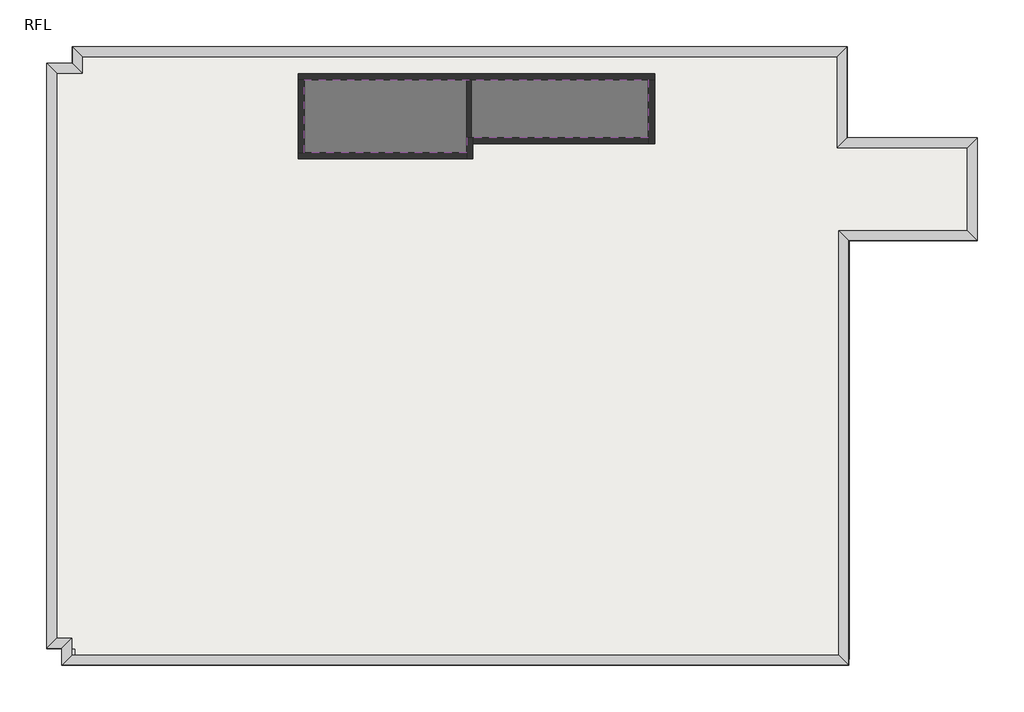
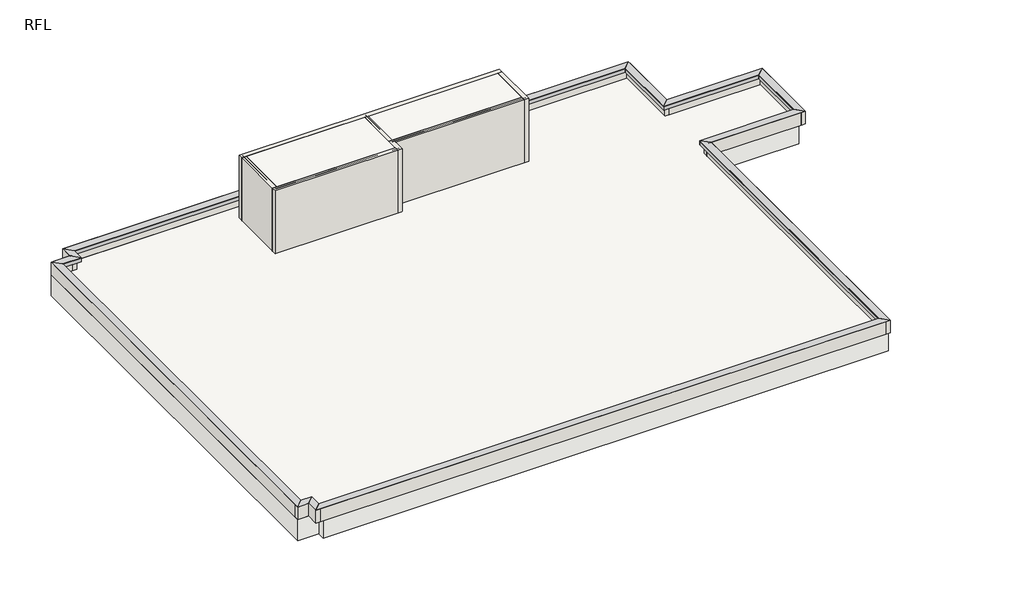
# One storey: 26 proxies, 19 walls, 2 slabs.
"""IFC4 building model written with IfcOpenShell, lengths in millimetres."""

import ifcopenshell
import ifcopenshell.guid

model = None  # the IFC model being written
_history = None  # IfcOwnerHistory: only IFC2X3 demands one
_inside = {}  # id of a spatial element -> (the spatial element, [elements in it])
_under = {}  # id of a project, library or spatial element -> (it, [spatial elements below it])
_declared = {}  # id of a project -> (the project, [libraries it declares])
_typed = {}  # id of a type object -> (the type object, [elements of that type])
_made_of = {}  # id of a material, layer set ... -> (it, [elements and type objects made of it])


def new_model(schema):
    """Start an empty IFC model of exactly this schema.

    Asked for "IFC4X3", IfcOpenShell would pick the latest addendum, in which some entities
    have other attributes; the version numbers below select the first issue.
    IFC2X3 requires an IfcOwnerHistory on every rooted entity: one is made here for all.
    """
    global model, _history
    if schema == "IFC4X3":
        model = ifcopenshell.file(schema_version=(4, 3, 0, 0))
    else:
        model = ifcopenshell.file(schema=schema)
    _inside.clear()
    _under.clear()
    _declared.clear()
    _typed.clear()
    _made_of.clear()
    _history = None
    if model.schema == "IFC2X3":
        org = make("IfcOrganization", Name="unknown")
        user = make(
            "IfcPersonAndOrganization",
            ThePerson=make("IfcPerson", FamilyName="unknown"),
            TheOrganization=org,
        )
        app = make(
            "IfcApplication",
            ApplicationDeveloper=org,
            Version="unknown",
            ApplicationFullName="unknown",
            ApplicationIdentifier="unknown",
        )
        _history = make(
            "IfcOwnerHistory",
            OwningUser=user,
            OwningApplication=app,
            ChangeAction="ADDED",
            CreationDate=0,
        )
    return model


def make(cls, **values):
    """One entity of the class cls with the attributes given. An attribute that is None is left unset."""
    return model.create_entity(
        cls, **{name: value for name, value in values.items() if value is not None}
    )


def rooted(cls, **values):
    """An entity with a GlobalId (a new one), such as an element, a storey or a relation."""
    return make(cls, GlobalId=ifcopenshell.guid.new(), OwnerHistory=_history, **values)


def si_unit(unit_type, name, prefix=None):
    """IfcSIUnit, for example si_unit("LENGTHUNIT", "METRE", prefix="MILLI")."""
    return make("IfcSIUnit", UnitType=unit_type, Prefix=prefix, Name=name)


def assignment(units):
    """IfcUnitAssignment: the units of a project."""
    return None if units is None else make("IfcUnitAssignment", Units=units)


def point(xyz):
    """IfcCartesianPoint."""
    return None if xyz is None else make("IfcCartesianPoint", Coordinates=xyz)


def direction(xyz):
    """IfcDirection."""
    return None if xyz is None else make("IfcDirection", DirectionRatios=xyz)


def frame(location, z_axis=None, x_axis=None):
    """IfcAxis2Placement3D, a coordinate frame: its origin and axes. An axis left out is left unset."""
    return make(
        "IfcAxis2Placement3D",
        Location=point(location),
        Axis=direction(z_axis),
        RefDirection=direction(x_axis),
    )


def origin():
    """The frame at (0, 0, 0) with its axes left unset."""
    return frame((0.0, 0.0, 0.0))


def place(relative_to, where):
    """IfcLocalPlacement: puts the frame where relative to a parent placement (None: the world)."""
    return make(
        "IfcLocalPlacement", PlacementRelTo=relative_to, RelativePlacement=where
    )


def context(
    kind, dimensions, precision=None, world=None, true_north=None, identifier=None
):
    """IfcGeometricRepresentationContext, for example the 3D "Model" context."""
    return make(
        "IfcGeometricRepresentationContext",
        ContextIdentifier=identifier,
        ContextType=kind,
        CoordinateSpaceDimension=dimensions,
        Precision=precision,
        WorldCoordinateSystem=world,
        TrueNorth=true_north,
    )


def project(units=None, contexts=None):
    """IfcProject with its units and contexts."""
    return rooted(
        "IfcProject",
        Name="project",
        RepresentationContexts=contexts,
        UnitsInContext=assignment(units),
    )


def spatial(cls, under=None, at=None, **own):
    """A site, building, storey or space (cls), placed at a placement, below another one or the project."""
    s = rooted(cls, ObjectPlacement=at, **own)
    if under is not None:
        _under.setdefault(under.id(), (under, []))[1].append(s)
    return s


def polyline(points):
    """IfcPolyline through the points."""
    return make("IfcPolyline", Points=[point(p) for p in points])


def outline(outer, holes=None, kind="AREA"):
    """IfcArbitraryClosedProfileDef: a profile drawn as a closed curve; with holes, ...WithVoids."""
    if holes is None:
        return make("IfcArbitraryClosedProfileDef", ProfileType=kind, OuterCurve=outer)
    return make(
        "IfcArbitraryProfileDefWithVoids",
        ProfileType=kind,
        OuterCurve=outer,
        InnerCurves=holes,
    )


def extrude(swept, where, along, depth):
    """IfcExtrudedAreaSolid: the profile swept, set in the frame where, extruded along a direction by depth."""
    return make(
        "IfcExtrudedAreaSolid",
        SweptArea=swept,
        Position=where,
        ExtrudedDirection=direction(along),
        Depth=depth,
    )


def faces_of(points, faces, orient=None, outer=None):
    """IfcFace entities. A face is a list of loops; a loop is a list of indices into points, from 0.

    orient and outer hold one flag for each loop. By default every Orientation is true, the
    first loop of a face is its IfcFaceOuterBound and the others are IfcFaceBound.
    """
    made = []
    for i, loops in enumerate(faces):
        bounds = []
        for j, loop in enumerate(loops):
            is_outer = j == 0 if outer is None else outer[i][j]
            bounds.append(
                make(
                    "IfcFaceOuterBound" if is_outer else "IfcFaceBound",
                    Bound=make("IfcPolyLoop", Polygon=[points[k] for k in loop]),
                    Orientation=True if orient is None else orient[i][j],
                )
            )
        made.append(make("IfcFace", Bounds=bounds))
    return made


def faceted_brep(points, faces, orient=None, outer=None, voids=None):
    """IfcFacetedBrep: a solid bounded by flat faces; with voids (closed shells), ...WithVoids."""
    shared = [point(p) for p in points]
    hull = make("IfcClosedShell", CfsFaces=faces_of(shared, faces, orient, outer))
    if voids is None:
        return make("IfcFacetedBrep", Outer=hull)
    return make(
        "IfcFacetedBrepWithVoids",
        Outer=hull,
        Voids=[
            make(cls, CfsFaces=faces_of(shared, fs, o, b)) for cls, fs, o, b in voids
        ],
    )


def shape(context_of_items, identifier, shape_type, items):
    """IfcShapeRepresentation: the items that make up one representation, for example the "Body"."""
    return make(
        "IfcShapeRepresentation",
        ContextOfItems=context_of_items,
        RepresentationIdentifier=identifier,
        RepresentationType=shape_type,
        Items=items,
    )


def made_of(thing, what):
    """Note that an element or type object is made of a material, layer set ...; save() writes the relation."""
    if what is not None:
        _made_of.setdefault(what.id(), (what, []))[1].append(thing)
    return thing


def element(
    cls,
    number,
    at=None,
    inside=None,
    cuts=None,
    type_object=None,
    material=None,
    context=None,
    identifier="Body",
    shape_type=None,
    held_by="IfcProductDefinitionShape",
    body=None,
    shapes=None,
    **own,
):
    """One element of the class cls, such as IfcWall. Its Tag is "e" and its number.

    at: its placement. inside: the storey or other place that contains it. cuts: it is an
    opening in that element (IfcRelVoidsElement). A single representation is given by context,
    identifier, shape_type and body (its items); several are given by shapes. held_by: the class
    of the entity that holds the representations. save() writes the other relations.
    """
    e = rooted(cls, Tag="e%d" % number, ObjectPlacement=at, **own)
    if body is not None:
        shapes = [shape(context, identifier, shape_type, body)]
    if shapes is not None:
        e.Representation = make(held_by, Representations=shapes)
    if inside is not None:
        _inside.setdefault(inside.id(), (inside, []))[1].append(e)
    if cuts is not None:
        rooted(
            "IfcRelVoidsElement", RelatingBuildingElement=cuts, RelatedOpeningElement=e
        )
    if type_object is not None:
        _typed.setdefault(type_object.id(), (type_object, []))[1].append(e)
    return made_of(e, material)


def aggregate(whole, parts):
    """IfcRelAggregates: a whole, such as a stair, and the parts it consists of."""
    return rooted("IfcRelAggregates", RelatingObject=whole, RelatedObjects=parts)


def save(model, path):
    """Write the relations noted so far, then the file.

    IfcRelAggregates (storeys below a building ...), IfcRelContainedInSpatialStructure (elements
    in a storey), IfcRelDefinesByType, IfcRelAssociatesMaterial and IfcRelDeclares: one each for
    every whole, place, type object, material and project.
    """
    for whole, parts in _under.values():
        aggregate(whole, parts)
    for where, things in _inside.values():
        rooted(
            "IfcRelContainedInSpatialStructure",
            RelatedElements=things,
            RelatingStructure=where,
        )
    for kind, things in _typed.values():
        rooted("IfcRelDefinesByType", RelatedObjects=things, RelatingType=kind)
    for what, things in _made_of.values():
        rooted("IfcRelAssociatesMaterial", RelatedObjects=things, RelatingMaterial=what)
    for by, libraries in _declared.values():
        rooted("IfcRelDeclares", RelatingContext=by, RelatedDefinitions=libraries)
    model.write(path)


model = new_model("IFC4")

# Units and contexts
model_context = context("Model", 3, world=origin())
ifc_project = project(units=[si_unit("LENGTHUNIT", "METRE", prefix="MILLI")], contexts=[model_context])

# Site, building, storey
site = spatial("IfcSite", under=ifc_project)
building = spatial("IfcBuilding", under=site)
storey = spatial("IfcBuildingStorey", under=building, Name="RFL", Elevation=32600.0)

# Proxies
placement = place(None, origin())
element("IfcBuildingElementProxy", 1, Name="Mass", at=placement, inside=storey, context=model_context, shape_type="SweptSolid", body=[
    extrude(outline(polyline([(-15395.9784025, 15749.6868987), (-15395.9784025, 13149.6868987), (-20945.9784025, 13149.6868987), (-20945.9784025, 15749.6868987), (-15395.9784025, 15749.6868987)])), frame((0.0, 0.0, 32600.0), z_axis=(0.0, 0.0, 1.0), x_axis=(1.0, 0.0, 0.0)), (0.0, 0.0, 1.0), 3000.0),
])
element("IfcBuildingElementProxy", 2, Name="Mass", at=placement, inside=storey, context=model_context, shape_type="SweptSolid", body=[
    extrude(outline(polyline([(-9395.9784025, 15749.6868987), (-9395.9784025, 13649.6868987), (-15395.9784025, 13649.6868987), (-15395.9784025, 15749.6868987), (-9395.9784025, 15749.6868987)])), frame((0.0, 0.0, 32600.0), z_axis=(0.0, 0.0, 1.0), x_axis=(1.0, 0.0, 0.0)), (0.0, 0.0, 1.0), 3000.0),
])
element("IfcBuildingElementProxy", 3, Name="Reveals", at=placement, inside=storey, context=model_context, shape_type="Brep", body=[
    faceted_brep([(-28165.9784025, 16419.6868987, 33170.0), (-28165.9784025, 16419.6868987, 33200.0), (-28495.9784025, 16749.6868987, 33200.0), (-3275.9784025, 16419.6868987, 33170.0), (-2945.9784025, 16749.6868987, 33200.0), (-3275.9784025, 16419.6868987, 33200.0)], [[[0, 1, 2]], [[3, 4, 5]], [[1, 0, 3, 5]], [[2, 1, 5, 4]], [[0, 2, 4, 3]]]),
])
element("IfcBuildingElementProxy", 4, Name="Wall Sweeps", at=placement, inside=storey, context=model_context, shape_type="Brep", body=[
    faceted_brep([(-28165.9784025, 16419.6868987, 33010.0), (-28165.9784025, 16419.6868987, 33170.0), (-28495.9784025, 16749.6868987, 33200.0), (-28295.9784025, 16549.6868987, 33010.0), (-3275.9784025, 16419.6868987, 33010.0), (-3145.9784025, 16549.6868987, 33010.0), (-2945.9784025, 16749.6868987, 33200.0), (-3275.9784025, 16419.6868987, 33170.0)], [[[0, 1, 2, 3]], [[4, 5, 6, 7]], [[1, 0, 4, 7]], [[2, 1, 7, 6]], [[3, 2, 6, 5]], [[0, 3, 5, 4]]]),
])
element("IfcBuildingElementProxy", 5, Name="Reveals", at=placement, inside=storey, context=model_context, shape_type="Brep", body=[
    faceted_brep([(-3275.9784025, 16419.6868987, 33170.0), (-3275.9784025, 16419.6868987, 33200.0), (-2945.9784025, 16749.6868987, 33200.0), (-3275.9784025, 13419.6868987, 33170.0), (-2945.9784025, 13749.6868987, 33200.0), (-3275.9784025, 13419.6868987, 33200.0)], [[[0, 1, 2]], [[3, 4, 5]], [[1, 0, 3, 5]], [[2, 1, 5, 4]], [[0, 2, 4, 3]]]),
])
element("IfcBuildingElementProxy", 6, Name="Wall Sweeps", at=placement, inside=storey, context=model_context, shape_type="Brep", body=[
    faceted_brep([(-3275.9784025, 16419.6868987, 33010.0), (-3275.9784025, 16419.6868987, 33170.0), (-2945.9784025, 16749.6868987, 33200.0), (-3145.9784025, 16549.6868987, 33010.0), (-3275.9784025, 13419.6868987, 33010.0), (-3145.9784025, 13549.6868987, 33010.0), (-2945.9784025, 13749.6868987, 33200.0), (-3275.9784025, 13419.6868987, 33170.0)], [[[0, 1, 2, 3]], [[4, 5, 6, 7]], [[1, 0, 4, 7]], [[2, 1, 7, 6]], [[3, 2, 6, 5]], [[0, 3, 5, 4]]]),
])
element("IfcBuildingElementProxy", 7, Name="Reveals", at=placement, inside=storey, context=model_context, shape_type="Brep", body=[
    faceted_brep([(-3275.9784025, 13419.6868987, 33170.0), (-3275.9784025, 13419.6868987, 33200.0), (-2945.9784025, 13749.6868987, 33200.0), (1024.0215975, 13419.6868987, 33170.0), (1354.0215975, 13749.6868987, 33200.0), (1024.0215975, 13419.6868987, 33200.0)], [[[0, 1, 2]], [[3, 4, 5]], [[1, 0, 3, 5]], [[2, 1, 5, 4]], [[0, 2, 4, 3]]]),
])
element("IfcBuildingElementProxy", 8, Name="Wall Sweeps", at=placement, inside=storey, context=model_context, shape_type="Brep", body=[
    faceted_brep([(-3275.9784025, 13419.6868987, 33010.0), (-3275.9784025, 13419.6868987, 33170.0), (-2945.9784025, 13749.6868987, 33200.0), (-3145.9784025, 13549.6868987, 33010.0), (1024.0215975, 13419.6868987, 33010.0), (1154.0215975, 13549.6868987, 33010.0), (1354.0215975, 13749.6868987, 33200.0), (1024.0215975, 13419.6868987, 33170.0)], [[[0, 1, 2, 3]], [[4, 5, 6, 7]], [[1, 0, 4, 7]], [[2, 1, 7, 6]], [[3, 2, 6, 5]], [[0, 3, 5, 4]]]),
])
element("IfcBuildingElementProxy", 9, Name="Reveals", at=placement, inside=storey, context=model_context, shape_type="Brep", body=[
    faceted_brep([(1024.0215975, 13419.6868987, 33170.0), (1024.0215975, 13419.6868987, 33200.0), (1354.0215975, 13749.6868987, 33200.0), (1024.0215975, 10679.6868987, 33170.0), (1354.0215975, 10349.6868987, 33200.0), (1024.0215975, 10679.6868987, 33200.0)], [[[0, 1, 2]], [[3, 4, 5]], [[1, 0, 3, 5]], [[2, 1, 5, 4]], [[0, 2, 4, 3]]]),
])
element("IfcBuildingElementProxy", 10, Name="Wall Sweeps", at=placement, inside=storey, context=model_context, shape_type="Brep", body=[
    faceted_brep([(1024.0215975, 13419.6868987, 33010.0), (1024.0215975, 13419.6868987, 33170.0), (1354.0215975, 13749.6868987, 33200.0), (1154.0215975, 13549.6868987, 33010.0), (1024.0215975, 10679.6868987, 33010.0), (1154.0215975, 10549.6868987, 33010.0), (1354.0215975, 10349.6868987, 33200.0), (1024.0215975, 10679.6868987, 33170.0)], [[[0, 1, 2, 3]], [[4, 5, 6, 7]], [[1, 0, 4, 7]], [[2, 1, 7, 6]], [[3, 2, 6, 5]], [[0, 3, 5, 4]]]),
])
element("IfcBuildingElementProxy", 11, Name="Reveals", at=placement, inside=storey, context=model_context, shape_type="Brep", body=[
    faceted_brep([(1024.0215975, 10679.6868987, 33170.0), (1024.0215975, 10679.6868987, 33200.0), (1354.0215975, 10349.6868987, 33200.0), (-3225.9784025, 10679.6868987, 33170.0), (-2895.9784025, 10349.6868987, 33200.0), (-3225.9784025, 10679.6868987, 33200.0)], [[[0, 1, 2]], [[3, 4, 5]], [[1, 0, 3, 5]], [[2, 1, 5, 4]], [[0, 2, 4, 3]]]),
])
element("IfcBuildingElementProxy", 12, Name="Wall Sweeps", at=placement, inside=storey, context=model_context, shape_type="Brep", body=[
    faceted_brep([(1024.0215975, 10679.6868987, 33010.0), (1024.0215975, 10679.6868987, 33170.0), (1354.0215975, 10349.6868987, 33200.0), (1154.0215975, 10549.6868987, 33010.0), (-3225.9784025, 10679.6868987, 33010.0), (-3095.9784025, 10549.6868987, 33010.0), (-2895.9784025, 10349.6868987, 33200.0), (-3225.9784025, 10679.6868987, 33170.0)], [[[0, 1, 2, 3]], [[4, 5, 6, 7]], [[1, 0, 4, 7]], [[2, 1, 7, 6]], [[3, 2, 6, 5]], [[0, 3, 5, 4]]]),
])
element("IfcBuildingElementProxy", 13, Name="Reveals", at=placement, inside=storey, context=model_context, shape_type="Brep", body=[
    faceted_brep([(-3225.9784025, 10679.6868987, 33170.0), (-3225.9784025, 10679.6868987, 33200.0), (-2895.9784025, 10349.6868987, 33200.0), (-3225.9784025, -3320.3131013, 33170.0), (-2895.9784025, -3650.3131013, 33200.0), (-3225.9784025, -3320.3131013, 33200.0)], [[[0, 1, 2]], [[3, 4, 5]], [[1, 0, 3, 5]], [[2, 1, 5, 4]], [[0, 2, 4, 3]]]),
])
element("IfcBuildingElementProxy", 14, Name="Wall Sweeps", at=placement, inside=storey, context=model_context, shape_type="Brep", body=[
    faceted_brep([(-3225.9784025, 10679.6868987, 33010.0), (-3225.9784025, 10679.6868987, 33170.0), (-2895.9784025, 10349.6868987, 33200.0), (-3095.9784025, 10549.6868987, 33010.0), (-3225.9784025, -3320.3131013, 33010.0), (-3095.9784025, -3450.3131013, 33010.0), (-2895.9784025, -3650.3131013, 33200.0), (-3225.9784025, -3320.3131013, 33170.0)], [[[0, 1, 2, 3]], [[4, 5, 6, 7]], [[1, 0, 4, 7]], [[2, 1, 7, 6]], [[3, 2, 6, 5]], [[0, 3, 5, 4]]]),
])
element("IfcBuildingElementProxy", 15, Name="Reveals", at=placement, inside=storey, context=model_context, shape_type="Brep", body=[
    faceted_brep([(-3225.9784025, -3320.3131013, 33170.0), (-3225.9784025, -3320.3131013, 33200.0), (-2895.9784025, -3650.3131013, 33200.0), (-28515.9784025, -3320.3131013, 33170.0), (-28845.9784025, -3650.3131013, 33200.0), (-28515.9784025, -3320.3131013, 33200.0)], [[[0, 1, 2]], [[3, 4, 5]], [[1, 0, 3, 5]], [[2, 1, 5, 4]], [[0, 2, 4, 3]]]),
])
element("IfcBuildingElementProxy", 16, Name="Wall Sweeps", at=placement, inside=storey, context=model_context, shape_type="Brep", body=[
    faceted_brep([(-3225.9784025, -3320.3131013, 33010.0), (-3225.9784025, -3320.3131013, 33170.0), (-2895.9784025, -3650.3131013, 33200.0), (-3095.9784025, -3450.3131013, 33010.0), (-28515.9784025, -3320.3131013, 33010.0), (-28645.9784025, -3450.3131013, 33010.0), (-28845.9784025, -3650.3131013, 33200.0), (-28515.9784025, -3320.3131013, 33170.0)], [[[0, 1, 2, 3]], [[4, 5, 6, 7]], [[1, 0, 4, 7]], [[2, 1, 7, 6]], [[3, 2, 6, 5]], [[0, 3, 5, 4]]]),
])
element("IfcBuildingElementProxy", 17, Name="Reveals", at=placement, inside=storey, context=model_context, shape_type="Brep", body=[
    faceted_brep([(-28515.9784025, -3320.3131013, 33170.0), (-28515.9784025, -3320.3131013, 33200.0), (-28845.9784025, -3650.3131013, 33200.0), (-28515.9784025, -2765.3131013, 33170.0), (-28845.9784025, -3095.3131013, 33200.0), (-28515.9784025, -2765.3131013, 33200.0)], [[[0, 1, 2]], [[3, 4, 5]], [[1, 0, 3, 5]], [[2, 1, 5, 4]], [[0, 2, 4, 3]]]),
])
element("IfcBuildingElementProxy", 18, Name="Wall Sweeps", at=placement, inside=storey, context=model_context, shape_type="Brep", body=[
    faceted_brep([(-28515.9784025, -3320.3131013, 33010.0), (-28515.9784025, -3320.3131013, 33170.0), (-28845.9784025, -3650.3131013, 33200.0), (-28645.9784025, -3450.3131013, 33010.0), (-28515.9784025, -2765.3131013, 33010.0), (-28645.9784025, -2895.3131013, 33010.0), (-28845.9784025, -3095.3131013, 33200.0), (-28515.9784025, -2765.3131013, 33170.0)], [[[0, 1, 2, 3]], [[4, 5, 6, 7]], [[1, 0, 4, 7]], [[2, 1, 7, 6]], [[3, 2, 6, 5]], [[0, 3, 5, 4]]]),
])
element("IfcBuildingElementProxy", 19, Name="Reveals", at=placement, inside=storey, context=model_context, shape_type="Brep", body=[
    faceted_brep([(-28515.9784025, -2765.3131013, 33170.0), (-28515.9784025, -2765.3131013, 33200.0), (-28845.9784025, -3095.3131013, 33200.0), (-29015.9784025, -2765.3131013, 33170.0), (-29345.9784025, -3095.3131013, 33200.0), (-29015.9784025, -2765.3131013, 33200.0)], [[[0, 1, 2]], [[3, 4, 5]], [[1, 0, 3, 5]], [[2, 1, 5, 4]], [[0, 2, 4, 3]]]),
])
element("IfcBuildingElementProxy", 20, Name="Wall Sweeps", at=placement, inside=storey, context=model_context, shape_type="Brep", body=[
    faceted_brep([(-28515.9784025, -2765.3131013, 33010.0), (-28515.9784025, -2765.3131013, 33170.0), (-28845.9784025, -3095.3131013, 33200.0), (-28645.9784025, -2895.3131013, 33010.0), (-29015.9784025, -2765.3131013, 33010.0), (-29145.9784025, -2895.3131013, 33010.0), (-29345.9784025, -3095.3131013, 33200.0), (-29015.9784025, -2765.3131013, 33170.0)], [[[0, 1, 2, 3]], [[4, 5, 6, 7]], [[1, 0, 4, 7]], [[2, 1, 7, 6]], [[3, 2, 6, 5]], [[0, 3, 5, 4]]]),
])
element("IfcBuildingElementProxy", 21, Name="Reveals", at=placement, inside=storey, context=model_context, shape_type="Brep", body=[
    faceted_brep([(-29015.9784025, -2765.3131013, 33170.0), (-29015.9784025, -2765.3131013, 33200.0), (-29345.9784025, -3095.3131013, 33200.0), (-29015.9784025, 15869.6868987, 33170.0), (-29345.9784025, 16199.6868987, 33200.0), (-29015.9784025, 15869.6868987, 33200.0)], [[[0, 1, 2]], [[3, 4, 5]], [[1, 0, 3, 5]], [[2, 1, 5, 4]], [[0, 2, 4, 3]]]),
])
element("IfcBuildingElementProxy", 22, Name="Wall Sweeps", at=placement, inside=storey, context=model_context, shape_type="Brep", body=[
    faceted_brep([(-29015.9784025, -2765.3131013, 33010.0), (-29015.9784025, -2765.3131013, 33170.0), (-29345.9784025, -3095.3131013, 33200.0), (-29145.9784025, -2895.3131013, 33010.0), (-29015.9784025, 15869.6868987, 33010.0), (-29145.9784025, 15999.6868987, 33010.0), (-29345.9784025, 16199.6868987, 33200.0), (-29015.9784025, 15869.6868987, 33170.0)], [[[0, 1, 2, 3]], [[4, 5, 6, 7]], [[1, 0, 4, 7]], [[2, 1, 7, 6]], [[3, 2, 6, 5]], [[0, 3, 5, 4]]]),
])
element("IfcBuildingElementProxy", 23, Name="Reveals", at=placement, inside=storey, context=model_context, shape_type="Brep", body=[
    faceted_brep([(-29015.9784025, 15869.6868987, 33170.0), (-29015.9784025, 15869.6868987, 33200.0), (-29345.9784025, 16199.6868987, 33200.0), (-28165.9784025, 15869.6868987, 33170.0), (-28495.9784025, 16199.6868987, 33200.0), (-28165.9784025, 15869.6868987, 33200.0)], [[[0, 1, 2]], [[3, 4, 5]], [[1, 0, 3, 5]], [[2, 1, 5, 4]], [[0, 2, 4, 3]]]),
])
element("IfcBuildingElementProxy", 24, Name="Wall Sweeps", at=placement, inside=storey, context=model_context, shape_type="Brep", body=[
    faceted_brep([(-29015.9784025, 15869.6868987, 33010.0), (-29015.9784025, 15869.6868987, 33170.0), (-29345.9784025, 16199.6868987, 33200.0), (-29145.9784025, 15999.6868987, 33010.0), (-28165.9784025, 15869.6868987, 33010.0), (-28295.9784025, 15999.6868987, 33010.0), (-28495.9784025, 16199.6868987, 33200.0), (-28165.9784025, 15869.6868987, 33170.0)], [[[0, 1, 2, 3]], [[4, 5, 6, 7]], [[1, 0, 4, 7]], [[2, 1, 7, 6]], [[3, 2, 6, 5]], [[0, 3, 5, 4]]]),
])
element("IfcBuildingElementProxy", 25, Name="Reveals", at=placement, inside=storey, context=model_context, shape_type="Brep", body=[
    faceted_brep([(-28165.9784025, 15869.6868987, 33170.0), (-28165.9784025, 15869.6868987, 33200.0), (-28495.9784025, 16199.6868987, 33200.0), (-28165.9784025, 16419.6868987, 33170.0), (-28495.9784025, 16749.6868987, 33200.0), (-28165.9784025, 16419.6868987, 33200.0)], [[[0, 1, 2]], [[3, 4, 5]], [[1, 0, 3, 5]], [[2, 1, 5, 4]], [[0, 2, 4, 3]]]),
])
element("IfcBuildingElementProxy", 26, Name="Wall Sweeps", at=placement, inside=storey, context=model_context, shape_type="Brep", body=[
    faceted_brep([(-28165.9784025, 15869.6868987, 33010.0), (-28165.9784025, 15869.6868987, 33170.0), (-28495.9784025, 16199.6868987, 33200.0), (-28295.9784025, 15999.6868987, 33010.0), (-28165.9784025, 16419.6868987, 33010.0), (-28295.9784025, 16549.6868987, 33010.0), (-28495.9784025, 16749.6868987, 33200.0), (-28165.9784025, 16419.6868987, 33170.0)], [[[0, 1, 2, 3]], [[4, 5, 6, 7]], [[1, 0, 4, 7]], [[2, 1, 7, 6]], [[3, 2, 6, 5]], [[0, 3, 5, 4]]]),
])

# Slabs
element("IfcSlab", 27, at=placement, inside=storey, context=model_context, shape_type="SweptSolid", body=[
    extrude(outline(polyline([(-3145.9784025, 16549.6868987), (-3145.9784025, 13549.6868987), (1154.0215975, 13549.6868987), (1154.0215975, 10549.6868987), (-2870.9784025, 10549.6868987), (-2870.9784025, -3450.3131013), (-28395.9784025, -3450.3131013), (-28395.9784025, -3105.3131013), (-29345.9784025, -3105.3131013), (-29345.9784025, 16194.6868987), (-28395.9784025, 16194.6868987), (-28395.9784025, 16549.6868987), (-3145.9784025, 16549.6868987)])), frame((0.0, 0.0, 31600.0), z_axis=(0.0, 0.0, 1.0), x_axis=(1.0, 0.0, 0.0)), (0.0, 0.0, 1.0), 1000.0),
])
element("IfcSlab", 28, ObjectType="RC150", at=placement, inside=storey, context=model_context, shape_type="SweptSolid", body=[
    extrude(outline(polyline([(-9495.9784025, 15649.6868987), (-9495.9784025, 13749.6868987), (-15495.9784025, 13749.6868987), (-15495.9784025, 13249.6868987), (-20845.9784025, 13249.6868987), (-20845.9784025, 15649.6868987), (-9495.9784025, 15649.6868987)])), frame((0.0, 0.0, 35450.0), z_axis=(0.0, 0.0, 1.0), x_axis=(1.0, 0.0, 0.0)), (0.0, 0.0, 1.0), 150.0),
])

# Walls
element("IfcWall", 29, at=placement, inside=storey, context=model_context, shape_type="Brep", body=[
    faceted_brep([(-21045.9784025, 15649.6868987, 32600.0), (-20845.9784025, 15649.6868987, 32600.0), (-15495.9784025, 15649.6868987, 32600.0), (-15345.9784025, 15649.6868987, 32600.0), (-9495.9784025, 15649.6868987, 32600.0), (-9295.9784025, 15649.6868987, 32600.0), (-9295.9784025, 15649.6868987, 35600.0), (-9495.9784025, 15649.6868987, 35600.0), (-15345.9784025, 15649.6868987, 35600.0), (-15495.9784025, 15649.6868987, 35600.0), (-20845.9784025, 15649.6868987, 35600.0), (-21045.9784025, 15649.6868987, 35600.0), (-21045.9784025, 15849.6868987, 32600.0), (-21045.9784025, 15849.6868987, 35600.0), (-9295.9784025, 15849.6868987, 35600.0), (-9295.9784025, 15849.6868987, 32600.0)], [[[0, 1, 2, 3, 4, 5, 6, 7, 8, 9, 10, 11]], [[12, 13, 14, 15]], [[5, 4, 3, 2, 1, 0, 12, 15]], [[11, 10, 9, 8, 7, 6, 14, 13]], [[6, 5, 15, 14]], [[0, 11, 13, 12]]]),
])
element("IfcWall", 30, at=placement, inside=storey, context=model_context, shape_type="Brep", body=[
    faceted_brep([(-9495.9784025, 15649.6868987, 32600.0), (-9495.9784025, 13749.6868987, 32600.0), (-9495.9784025, 13549.6868987, 32600.0), (-9495.9784025, 13549.6868987, 35600.0), (-9495.9784025, 13749.6868987, 35600.0), (-9495.9784025, 15649.6868987, 35600.0), (-9295.9784025, 15649.6868987, 32600.0), (-9295.9784025, 15649.6868987, 35600.0), (-9295.9784025, 13549.6868987, 35600.0), (-9295.9784025, 13549.6868987, 32600.0)], [[[0, 1, 2, 3, 4, 5]], [[6, 7, 8, 9]], [[2, 1, 0, 6, 9]], [[5, 4, 3, 8, 7]], [[0, 5, 7, 6]], [[3, 2, 9, 8]]]),
])
element("IfcWall", 31, at=placement, inside=storey, context=model_context, shape_type="SweptSolid", body=[
    extrude(outline(polyline([(-15295.9784025, 13749.6868987), (-9495.9784025, 13749.6868987), (-9495.9784025, 13549.6868987), (-15295.9784025, 13549.6868987), (-15295.9784025, 13749.6868987)])), frame((0.0, 0.0, 32600.0), z_axis=(0.0, 0.0, 1.0), x_axis=(1.0, 0.0, 0.0)), (0.0, 0.0, 1.0), 3000.0),
])
element("IfcWall", 32, at=placement, inside=storey, context=model_context, shape_type="Brep", body=[
    faceted_brep([(-15495.9784025, 13749.6868987, 32600.0), (-15495.9784025, 13249.6868987, 32600.0), (-15495.9784025, 13049.6868987, 32600.0), (-15495.9784025, 13049.6868987, 35600.0), (-15495.9784025, 13249.6868987, 35600.0), (-15495.9784025, 13749.6868987, 35600.0), (-15295.9784025, 13749.6868987, 32600.0), (-15295.9784025, 13749.6868987, 35600.0), (-15295.9784025, 13549.6868987, 35600.0), (-15295.9784025, 13049.6868987, 35600.0), (-15295.9784025, 13049.6868987, 32600.0), (-15295.9784025, 13549.6868987, 32600.0), (-15345.9784025, 13749.6868987, 32600.0), (-15345.9784025, 13749.6868987, 35600.0)], [[[0, 1, 2, 3, 4, 5]], [[6, 7, 8, 9, 10, 11]], [[2, 1, 0, 12, 6, 11, 10]], [[5, 4, 3, 9, 8, 7, 13]], [[0, 5, 13, 7, 6, 12]], [[3, 2, 10, 9]]]),
])
element("IfcWall", 33, at=placement, inside=storey, context=model_context, shape_type="Brep", body=[
    faceted_brep([(-15495.9784025, 13249.6868987, 32600.0), (-20845.9784025, 13249.6868987, 32600.0), (-21045.9784025, 13249.6868987, 32600.0), (-21045.9784025, 13249.6868987, 35600.0), (-20845.9784025, 13249.6868987, 35600.0), (-15495.9784025, 13249.6868987, 35600.0), (-15495.9784025, 13049.6868987, 32600.0), (-15495.9784025, 13049.6868987, 35600.0), (-21045.9784025, 13049.6868987, 35600.0), (-21045.9784025, 13049.6868987, 32600.0)], [[[0, 1, 2, 3, 4, 5]], [[6, 7, 8, 9]], [[2, 1, 0, 6, 9]], [[5, 4, 3, 8, 7]], [[0, 5, 7, 6]], [[3, 2, 9, 8]]]),
])
element("IfcWall", 34, at=placement, inside=storey, context=model_context, shape_type="SweptSolid", body=[
    extrude(outline(polyline([(-20845.9784025, 15649.6868987), (-20845.9784025, 13249.6868987), (-21045.9784025, 13249.6868987), (-21045.9784025, 15649.6868987), (-20845.9784025, 15649.6868987)])), frame((0.0, 0.0, 32600.0), z_axis=(0.0, 0.0, 1.0), x_axis=(1.0, 0.0, 0.0)), (0.0, 0.0, 1.0), 3000.0),
])
element("IfcWall", 35, at=placement, inside=storey, context=model_context, shape_type="SweptSolid", body=[
    extrude(outline(polyline([(-15345.9784025, 15649.6868987), (-15345.9784025, 13749.6868987), (-15495.9784025, 13749.6868987), (-15495.9784025, 15649.6868987), (-15345.9784025, 15649.6868987)])), frame((0.0, 0.0, 32600.0), z_axis=(0.0, 0.0, 1.0), x_axis=(1.0, 0.0, 0.0)), (0.0, 0.0, 1.0), 3000.0),
])
element("IfcWall", 36, at=placement, inside=storey, context=model_context, shape_type="Brep", body=[
    faceted_brep([(-28295.9784025, 16549.6868987, 32600.0), (-3145.9784025, 16549.6868987, 32600.0), (-2945.9784025, 16549.6868987, 32600.0), (-2945.9784025, 16549.6868987, 33200.0), (-3145.9784025, 16549.6868987, 33010.0), (-28295.9784025, 16549.6868987, 33010.0), (-2945.9784025, 16749.6868987, 32600.0), (-28295.9784025, 16749.6868987, 32600.0), (-28295.9784025, 16749.6868987, 33200.0), (-2945.9784025, 16749.6868987, 33200.0)], [[[0, 1, 2, 3, 4, 5]], [[6, 7, 8, 9]], [[2, 1, 0, 7, 6]], [[4, 9, 8, 5]], [[3, 2, 6, 9]], [[9, 4, 3]], [[8, 7, 0, 5]]]),
])
element("IfcWall", 37, at=placement, inside=storey, context=model_context, shape_type="Brep", body=[
    faceted_brep([(-3145.9784025, 16549.6868987, 32600.0), (-3145.9784025, 13549.6868987, 32600.0), (-3145.9784025, 13549.6868987, 33010.0), (-3145.9784025, 16549.6868987, 33010.0), (-2945.9784025, 13549.6868987, 32600.0), (-2945.9784025, 13749.6868987, 32600.0), (-2945.9784025, 16549.6868987, 32600.0), (-2945.9784025, 16549.6868987, 33200.0), (-2945.9784025, 13749.6868987, 33200.0), (-2945.9784025, 13549.6868987, 33010.0)], [[[0, 1, 2, 3]], [[4, 5, 6, 7, 8, 9]], [[1, 0, 6, 5, 4]], [[2, 8, 7, 3]], [[7, 6, 0, 3]], [[1, 4, 9, 2]], [[8, 2, 9]]]),
])
element("IfcWall", 38, at=placement, inside=storey, context=model_context, shape_type="Brep", body=[
    faceted_brep([(-2945.9784025, 13549.6868987, 32600.0), (1154.0215975, 13549.6868987, 32600.0), (1354.0215975, 13549.6868987, 32600.0), (1354.0215975, 13549.6868987, 33200.0), (1154.0215975, 13549.6868987, 33010.0), (-2945.9784025, 13549.6868987, 33010.0), (1354.0215975, 13749.6868987, 32600.0), (-2945.9784025, 13749.6868987, 32600.0), (-2945.9784025, 13749.6868987, 33200.0), (1354.0215975, 13749.6868987, 33200.0)], [[[0, 1, 2, 3, 4, 5]], [[6, 7, 8, 9]], [[2, 1, 0, 7, 6]], [[4, 9, 8, 5]], [[8, 7, 0, 5]], [[3, 2, 6, 9]], [[9, 4, 3]]]),
])
element("IfcWall", 39, at=placement, inside=storey, context=model_context, shape_type="Brep", body=[
    faceted_brep([(1154.0215975, 13549.6868987, 32600.0), (1154.0215975, 10549.6868987, 32600.0), (1154.0215975, 10349.6868987, 32600.0), (1154.0215975, 10349.6868987, 33200.0), (1154.0215975, 10549.6868987, 33010.0), (1154.0215975, 13549.6868987, 33010.0), (1354.0215975, 10349.6868987, 32600.0), (1354.0215975, 13549.6868987, 32600.0), (1354.0215975, 13549.6868987, 33200.0), (1354.0215975, 10349.6868987, 33200.0)], [[[0, 1, 2, 3, 4, 5]], [[6, 7, 8, 9]], [[2, 1, 0, 7, 6]], [[4, 9, 8, 5]], [[8, 7, 0, 5]], [[3, 2, 6, 9]], [[9, 4, 3]]]),
])
element("IfcWall", 40, at=placement, inside=storey, context=model_context, shape_type="Brep", body=[
    faceted_brep([(1154.0215975, 10549.6868987, 32600.0), (-3095.9784025, 10549.6868987, 32600.0), (-3095.9784025, 10549.6868987, 33010.0), (1154.0215975, 10549.6868987, 33010.0), (-3095.9784025, 10349.6868987, 32600.0), (-2895.9784025, 10349.6868987, 32600.0), (1154.0215975, 10349.6868987, 32600.0), (1154.0215975, 10349.6868987, 33200.0), (-2895.9784025, 10349.6868987, 33200.0), (-3095.9784025, 10349.6868987, 33010.0)], [[[0, 1, 2, 3]], [[4, 5, 6, 7, 8, 9]], [[1, 0, 6, 5, 4]], [[2, 8, 7, 3]], [[7, 6, 0, 3]], [[1, 4, 9, 2]], [[8, 2, 9]]]),
])
element("IfcWall", 41, at=placement, inside=storey, context=model_context, shape_type="Brep", body=[
    faceted_brep([(-3095.9784025, 10349.6868987, 32600.0), (-3095.9784025, -3450.3131013, 32600.0), (-3095.9784025, -3650.3131013, 32600.0), (-3095.9784025, -3650.3131013, 33200.0), (-3095.9784025, -3450.3131013, 33010.0), (-3095.9784025, 10349.6868987, 33010.0), (-2895.9784025, -3650.3131013, 32600.0), (-2895.9784025, 10349.6868987, 32600.0), (-2895.9784025, 10349.6868987, 33200.0), (-2895.9784025, -3650.3131013, 33200.0)], [[[0, 1, 2, 3, 4, 5]], [[6, 7, 8, 9]], [[2, 1, 0, 7, 6]], [[4, 9, 8, 5]], [[8, 7, 0, 5]], [[3, 2, 6, 9]], [[9, 4, 3]]]),
])
element("IfcWall", 42, at=placement, inside=storey, context=model_context, shape_type="SweptSolid", body=[
    extrude(outline(polyline([(-3450.3131013, 32600.0), (-3650.3131013, 32600.0), (-3650.3131013, 33200.0), (-3450.3131013, 33010.0), (-3450.3131013, 32600.0)])), frame((-28645.9784025, 0.0, 0.0), z_axis=(1.0, 0.0, 0.0), x_axis=(0.0, 1.0, 0.0)), (0.0, 0.0, 1.0), 25550.0),
])
element("IfcWall", 43, at=placement, inside=storey, context=model_context, shape_type="Brep", body=[
    faceted_brep([(-28645.9784025, -3650.3131013, 32600.0), (-28645.9784025, -3450.3131013, 32600.0), (-28645.9784025, -2895.3131013, 32600.0), (-28645.9784025, -2895.3131013, 33010.0), (-28645.9784025, -3450.3131013, 33010.0), (-28645.9784025, -3650.3131013, 33200.0), (-28845.9784025, -2895.3131013, 32600.0), (-28845.9784025, -3095.3131013, 32600.0), (-28845.9784025, -3650.3131013, 32600.0), (-28845.9784025, -3650.3131013, 33200.0), (-28845.9784025, -3095.3131013, 33200.0), (-28845.9784025, -2895.3131013, 33010.0)], [[[0, 1, 2, 3, 4, 5]], [[6, 7, 8, 9, 10, 11]], [[2, 1, 0, 8, 7, 6]], [[9, 4, 3, 10]], [[0, 5, 9, 8]], [[4, 9, 5]], [[2, 6, 11, 3]], [[10, 3, 11]]]),
])
element("IfcWall", 44, at=placement, inside=storey, context=model_context, shape_type="Brep", body=[
    faceted_brep([(-28845.9784025, -2895.3131013, 32600.0), (-29145.9784025, -2895.3131013, 32600.0), (-29345.9784025, -2895.3131013, 32600.0), (-29345.9784025, -2895.3131013, 33200.0), (-29145.9784025, -2895.3131013, 33010.0), (-28845.9784025, -2895.3131013, 33010.0), (-29345.9784025, -3095.3131013, 32600.0), (-28845.9784025, -3095.3131013, 32600.0), (-28845.9784025, -3095.3131013, 33200.0), (-29345.9784025, -3095.3131013, 33200.0)], [[[0, 1, 2, 3, 4, 5]], [[6, 7, 8, 9]], [[2, 1, 0, 7, 6]], [[4, 9, 8, 5]], [[8, 7, 0, 5]], [[3, 2, 6, 9]], [[9, 4, 3]]]),
])
element("IfcWall", 45, at=placement, inside=storey, context=model_context, shape_type="Brep", body=[
    faceted_brep([(-29145.9784025, -2895.3131013, 32600.0), (-29145.9784025, 15999.6868987, 32600.0), (-29145.9784025, 16199.6868987, 32600.0), (-29145.9784025, 16199.6868987, 33200.0), (-29145.9784025, 15999.6868987, 33010.0), (-29145.9784025, -2895.3131013, 33010.0), (-29345.9784025, 16199.6868987, 32600.0), (-29345.9784025, -2895.3131013, 32600.0), (-29345.9784025, -2895.3131013, 33200.0), (-29345.9784025, 16199.6868987, 33200.0)], [[[0, 1, 2, 3, 4, 5]], [[6, 7, 8, 9]], [[2, 1, 0, 7, 6]], [[4, 9, 8, 5]], [[8, 7, 0, 5]], [[3, 2, 6, 9]], [[9, 4, 3]]]),
])
element("IfcWall", 46, at=placement, inside=storey, context=model_context, shape_type="SweptSolid", body=[
    extrude(outline(polyline([(16199.6868987, 33200.0), (16199.6868987, 32600.0), (15999.6868987, 32600.0), (15999.6868987, 33010.0), (16199.6868987, 33200.0)])), frame((-29145.9784025, 0.0, 0.0), z_axis=(1.0, 0.0, 0.0), x_axis=(0.0, 1.0, 0.0)), (0.0, 0.0, 1.0), 650.0),
])
element("IfcWall", 47, at=placement, inside=storey, context=model_context, shape_type="Brep", body=[
    faceted_brep([(-28295.9784025, 15999.6868987, 32600.0), (-28295.9784025, 16549.6868987, 32600.0), (-28295.9784025, 16749.6868987, 32600.0), (-28295.9784025, 16749.6868987, 33200.0), (-28295.9784025, 16549.6868987, 33010.0), (-28295.9784025, 15999.6868987, 33010.0), (-28495.9784025, 16749.6868987, 32600.0), (-28495.9784025, 16199.6868987, 32600.0), (-28495.9784025, 15999.6868987, 32600.0), (-28495.9784025, 15999.6868987, 33010.0), (-28495.9784025, 16199.6868987, 33200.0), (-28495.9784025, 16749.6868987, 33200.0)], [[[0, 1, 2, 3, 4, 5]], [[6, 7, 8, 9, 10, 11]], [[2, 1, 0, 8, 7, 6]], [[10, 5, 4, 11]], [[3, 2, 6, 11]], [[8, 0, 5, 9]], [[5, 10, 9]], [[11, 4, 3]]]),
])

save(model, "model.ifc")
